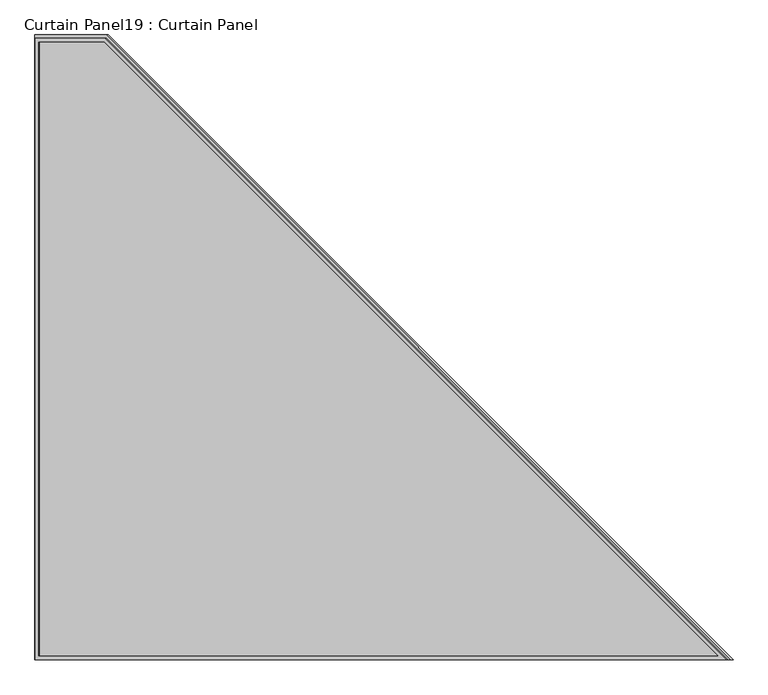
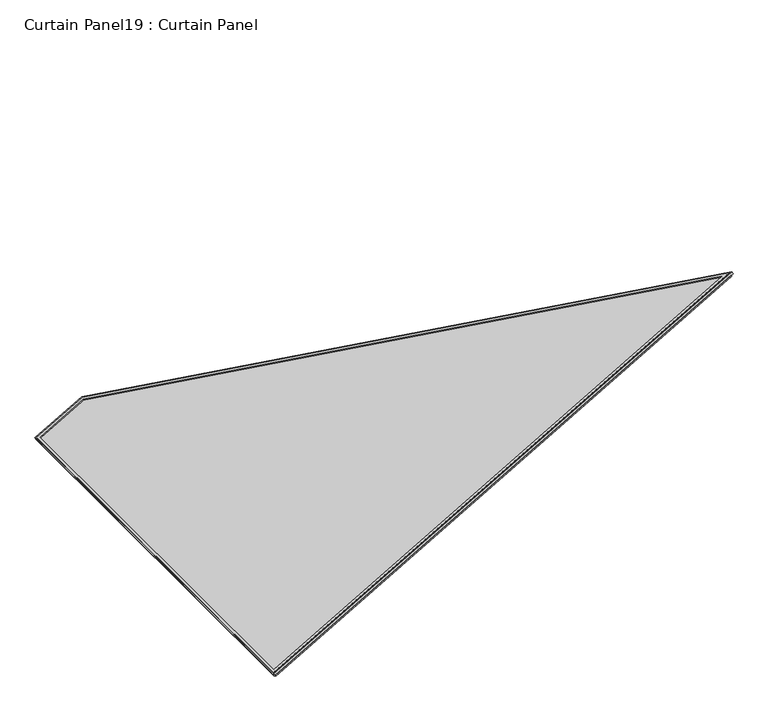
"""IFC4 building model written with IfcOpenShell, lengths in millimetres: plate geometry, Curtain Panel19 : Curtain Panel."""

from ifc_helpers import new_model, si_unit, frame, origin, place, context, project, spatial, polyline, outline, extrude, source, transform, mapped, element, save


def curtain_panel19_curtain_panel_cf78d776(model_context):
    return source(origin(), model_context, "Body", "SweptSolid", [
        extrude(outline(polyline([(2305.1656263, -1794.2231787), (2071.7904704, -1794.2231787), (0.0, 0.0), (2305.1656263, 0.0), (2305.1656263, -1794.2231787)]), holes=[polyline([(2294.0404262, -11.1252), (29.8402982, -11.1252), (2075.9382196, -1783.0979787), (2294.0404262, -1783.0979787), (2294.0404262, -11.1252)])]), frame((13509.2986076, 12582.6279755, 2039.592101), z_axis=(-0.49999999999999983, 0.0, 0.8660254037844388), x_axis=(-0.8660254037844388, 0.0, -0.49999999999999983)), (0.0, 0.0, 1.0), 4.6257686),
        extrude(outline(polyline([(2305.1656263, -1794.2231787), (2071.7904704, -1794.2231787), (0.0, 0.0), (2305.1656263, 0.0), (2305.1656263, -1794.2231787)]), holes=[polyline([(2294.0404263, -11.1252), (29.8402982, -11.1252), (2075.9382197, -1783.0979787), (2294.0404263, -1783.0979787), (2294.0404263, -11.1252)])]), frame((13500.474066, 12582.6279755, 2054.8766555), z_axis=(-0.49999999999999956, 0.0, 0.8660254037844389), x_axis=(-0.8660254037844389, 0.0, -0.49999999999999956)), (0.0, 0.0, 1.0), 4.8617187),
        extrude(outline(polyline([(12.7, 0.0), (1816.1, 0.0), (1816.1, -237.6499405), (12.7, -2320.0368914), (12.7, 0.0)])), frame((11506.6800508, 12569.9279755, 888.7211157), z_axis=(-0.49999999999999867, 0.0, 0.8660254037844395), x_axis=(0.0, 1.0, 0.0)), (0.0, 0.0, 1.0), 12.9910834),
    ])


if __name__ == "__main__":
    model = new_model("IFC4")
    model_context = context("Model", 3, world=origin())
    ifc_project = project(units=[si_unit("LENGTHUNIT", "METRE", prefix="MILLI")], contexts=[model_context])
    site = spatial("IfcSite", under=ifc_project)
    building = spatial("IfcBuilding", under=site)
    placement = place(None, origin())
    curtain_panel19_curtain_panel_shape = curtain_panel19_curtain_panel_cf78d776(model_context)
    element("IfcPlate", 1, ObjectType="Curtain Panel19 : Curtain Panel", at=placement, inside=building, context=model_context, shape_type="MappedRepresentation", body=[
        mapped(curtain_panel19_curtain_panel_shape, transform((0.0, 0.0, 0.0), x_axis=(1.0, 0.0, 0.0), y_axis=(0.0, 1.0, 0.0), z_axis=(0.0, 0.0, 1.0))),
    ])
    save(model, "model.ifc")
